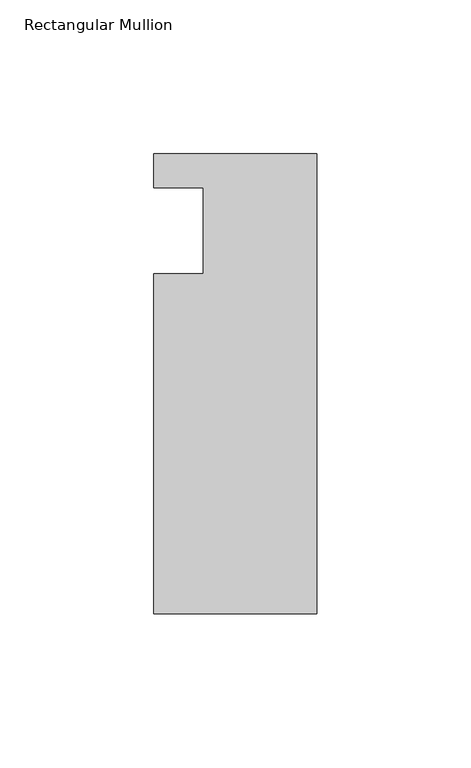
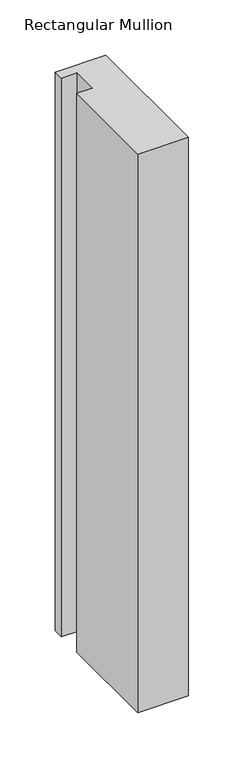
"""IFC4 building model written with IfcOpenShell, lengths in millimetres: member geometry, Rectangular Mullion."""

from ifc_helpers import new_model, si_unit, frame, origin, place, context, project, spatial, polyline, outline, extrude, source, transform, mapped, element, save


def rectangular_mullion_6268f4a6(model_context):
    return source(origin(), model_context, "Body", "SweptSolid", [
        extrude(outline(polyline([(0.0, 25.0), (0.0, -124.5), (-53.0, -124.5), (-53.0, -14.0), (-37.0, -14.0), (-37.0, 14.0), (-53.0, 14.0), (-53.0, 25.0), (0.0, 25.0)])), frame((0.0, 0.0, -617.5375685), z_axis=(0.0, 0.0, 1.0), x_axis=(1.0, 0.0, 0.0)), (0.0, 0.0, 1.0), 617.5375685),
    ])


if __name__ == "__main__":
    model = new_model("IFC4")
    model_context = context("Model", 3, world=origin())
    ifc_project = project(units=[si_unit("LENGTHUNIT", "METRE", prefix="MILLI")], contexts=[model_context])
    site = spatial("IfcSite", under=ifc_project)
    building = spatial("IfcBuilding", under=site)
    placement = place(None, origin())
    rectangular_mullion_shape = rectangular_mullion_6268f4a6(model_context)
    element("IfcMember", 1, ObjectType="Rectangular Mullion", at=placement, inside=building, context=model_context, shape_type="MappedRepresentation", body=[
        mapped(rectangular_mullion_shape, transform((0.0, 0.0, 0.0), x_axis=(1.0, 0.0, 0.0), y_axis=(0.0, 1.0, 0.0), z_axis=(0.0, 0.0, 1.0))),
    ])
    save(model, "model.ifc")
